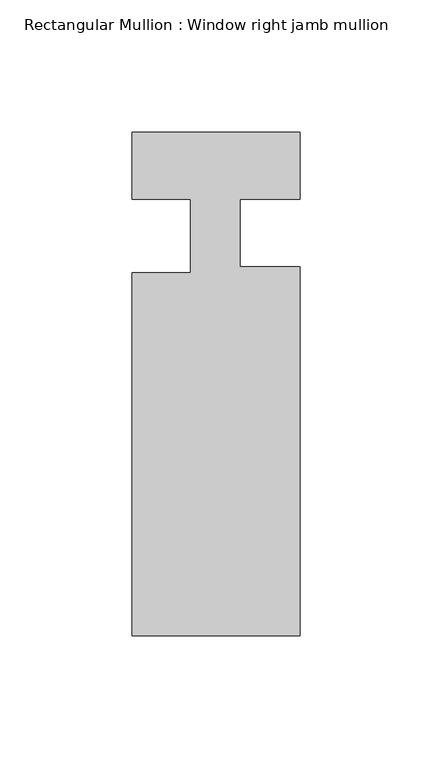
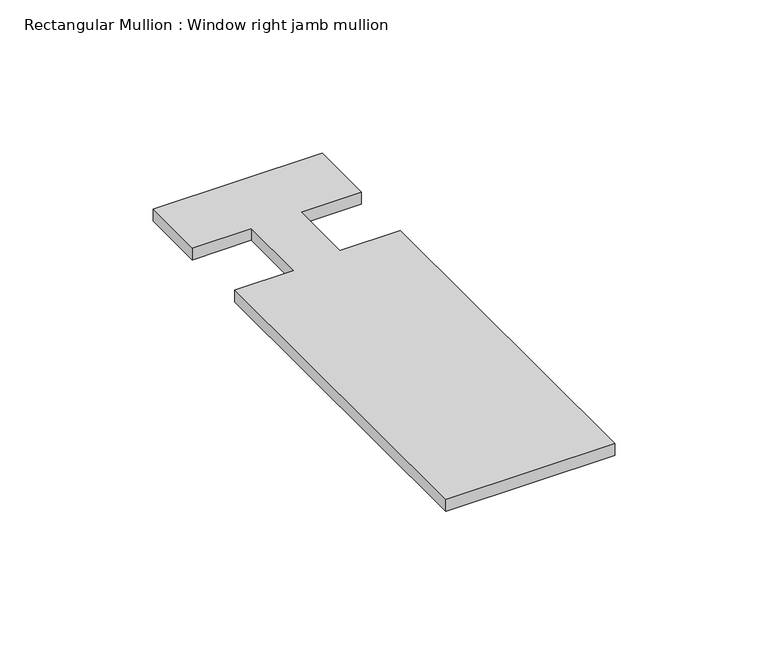
"""IFC4 building model written with IfcOpenShell, lengths in millimetres: member geometry, Rectangular Mullion : Window right jamb mullion."""

from ifc_helpers import new_model, si_unit, frame, origin, place, context, project, spatial, polyline, outline, extrude, source, transform, mapped, element, save


def rectangular_mullion_window_right_jamb_mullion_fd89fca6(model_context):
    return source(origin(), model_context, "Body", "SweptSolid", [
        extrude(outline(polyline([(-31.765875, -165.11587), (-31.765875, -27.701875), (-9.540875, -27.701875), (-9.540875, -0.0051552), (-31.75, -0.0051552), (-31.75, 25.4), (31.75, 25.4), (31.75, -0.0050068), (9.0932008, -0.0050068), (9.0932008, -25.4156549), (31.75, -25.4156549), (31.75, -165.11587), (-31.765875, -165.11587)])), frame((0.0, 0.0, -4.7625), z_axis=(0.0, 0.0, 1.0), x_axis=(1.0, 0.0, 0.0)), (0.0, 0.0, 1.0), 4.7625),
    ])


if __name__ == "__main__":
    model = new_model("IFC4")
    model_context = context("Model", 3, world=origin())
    ifc_project = project(units=[si_unit("LENGTHUNIT", "METRE", prefix="MILLI")], contexts=[model_context])
    site = spatial("IfcSite", under=ifc_project)
    building = spatial("IfcBuilding", under=site)
    placement = place(None, origin())
    rectangular_mullion_window_right_jamb_mullion_shape = rectangular_mullion_window_right_jamb_mullion_fd89fca6(model_context)
    element("IfcMember", 1, ObjectType="Rectangular Mullion : Window right jamb mullion", at=placement, inside=building, context=model_context, shape_type="MappedRepresentation", body=[
        mapped(rectangular_mullion_window_right_jamb_mullion_shape, transform((0.0, 0.0, 0.0), x_axis=(1.0, 0.0, 0.0), y_axis=(0.0, 1.0, 0.0), z_axis=(0.0, 0.0, 1.0))),
    ])
    save(model, "model.ifc")
